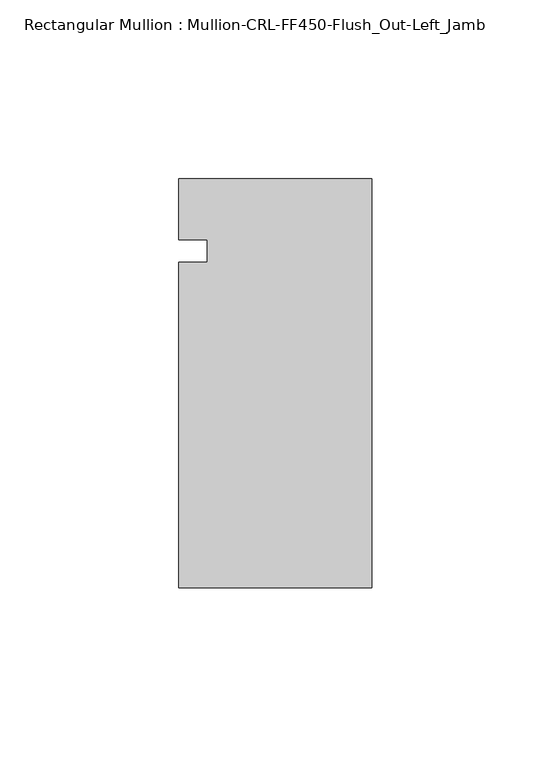
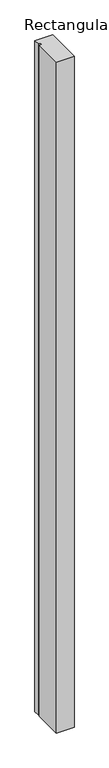
"""IFC4 building model written with IfcOpenShell, lengths in millimetres: member geometry, Rectangular Mullion : Mullion-CRL-FF450-Flush_Out-Left_Jamb."""

from ifc_helpers import new_model, si_unit, frame, origin, place, context, project, spatial, polyline, outline, extrude, source, transform, mapped, element, save


def rectangular_mullion_mullion_crl_ff450_flush_out_left_jamb_95405633(model_context):
    return source(origin(), model_context, "Body", "SweptSolid", [
        extrude(outline(polyline([(-53.9750401, -94.139185), (-53.9750401, -3.1555912), (-46.0375401, -3.1555912), (-46.0375401, 3.1944088), (-53.9750401, 3.1944088), (-53.9750401, 20.160815), (0.0, 20.160815), (0.0, -94.139185), (-53.9750401, -94.139185)])), frame((0.0, 0.0, -2174.875), z_axis=(0.0, 0.0, 1.0), x_axis=(1.0, 0.0, 0.0)), (0.0, 0.0, 1.0), 2174.875),
    ])


if __name__ == "__main__":
    model = new_model("IFC4")
    model_context = context("Model", 3, world=origin())
    ifc_project = project(units=[si_unit("LENGTHUNIT", "METRE", prefix="MILLI")], contexts=[model_context])
    site = spatial("IfcSite", under=ifc_project)
    building = spatial("IfcBuilding", under=site)
    placement = place(None, origin())
    rectangular_mullion_mullion_crl_ff450_flush_out_left_jamb_shape = rectangular_mullion_mullion_crl_ff450_flush_out_left_jamb_95405633(model_context)
    element("IfcMember", 1, ObjectType="Rectangular Mullion : Mullion-CRL-FF450-Flush_Out-Left_Jamb", at=placement, inside=building, context=model_context, shape_type="MappedRepresentation", body=[
        mapped(rectangular_mullion_mullion_crl_ff450_flush_out_left_jamb_shape, transform((0.0, 0.0, 0.0), x_axis=(1.0, 0.0, 0.0), y_axis=(0.0, 1.0, 0.0), z_axis=(0.0, 0.0, 1.0))),
    ])
    save(model, "model.ifc")
